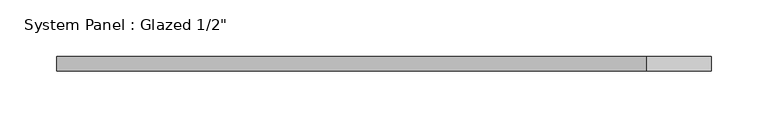
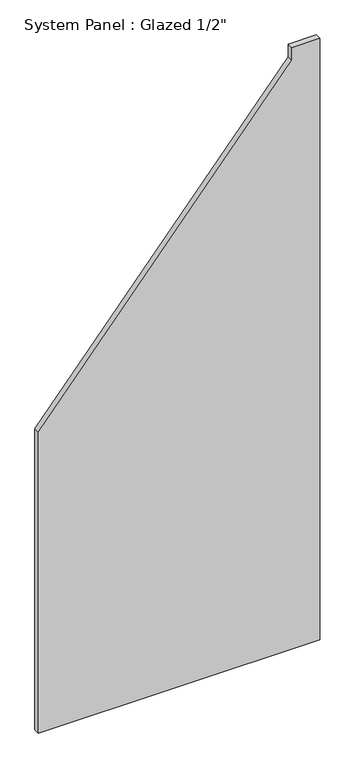
"""IFC4 building model written with IfcOpenShell, lengths in millimetres: plate geometry."""

from ifc_helpers import new_model, si_unit, frame, origin, place, context, project, spatial, polyline, outline, extrude, source, transform, mapped, element, save


def plate_d3cb4c53(model_context):
    return source(origin(), model_context, "Body", "SweptSolid", [
        extrude(outline(polyline([(0.0, -288.1456866), (0.0, 288.1456866), (1303.5327859, 288.1456866), (1303.5327859, 231.2867953), (1275.9903707, 231.2867953), (651.7102214, -288.1456866), (0.0, -288.1456866)])), frame((0.0, -6.35, 0.0), z_axis=(0.0, 1.0, 0.0), x_axis=(0.0, 0.0, 1.0)), (0.0, 0.0, 1.0), 12.7),
    ])


if __name__ == "__main__":
    model = new_model("IFC4")
    model_context = context("Model", 3, world=origin())
    ifc_project = project(units=[si_unit("LENGTHUNIT", "METRE", prefix="MILLI")], contexts=[model_context])
    site = spatial("IfcSite", under=ifc_project)
    building = spatial("IfcBuilding", under=site)
    placement = place(None, origin())
    plate_shape = plate_d3cb4c53(model_context)
    element("IfcPlate", 1, ObjectType="System Panel : Glazed 1/2\"", at=placement, inside=building, context=model_context, shape_type="MappedRepresentation", body=[
        mapped(plate_shape, transform((0.0, 0.0, 0.0), x_axis=(1.0, 0.0, 0.0), y_axis=(0.0, 1.0, 0.0), z_axis=(0.0, 0.0, 1.0))),
    ])
    save(model, "model.ifc")
